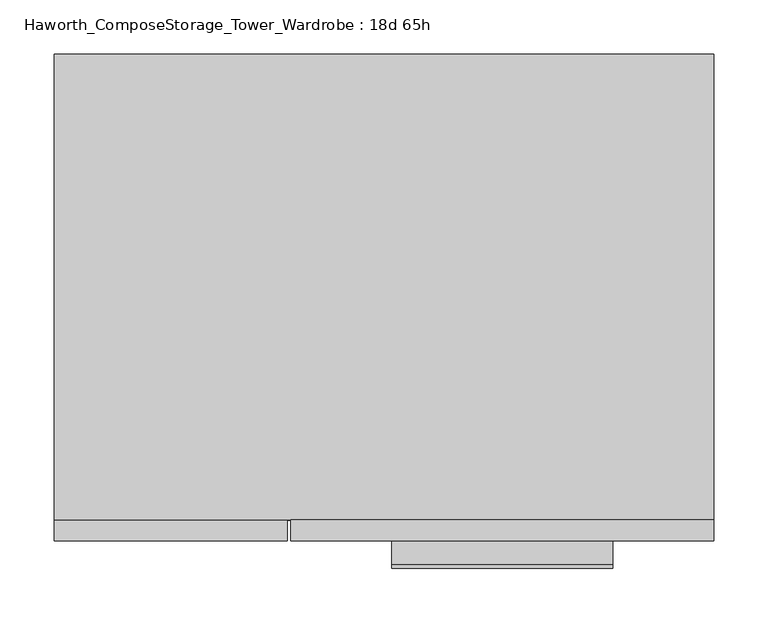
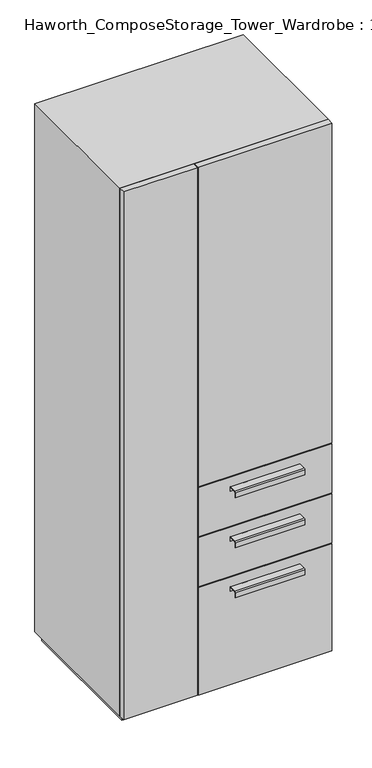
"""IFC4 building model written with IfcOpenShell, lengths in millimetres: furniture geometry, Haworth_ComposeStorage_Tower_Wardrobe : 18d 65h."""

from ifc_helpers import new_model, si_unit, point, frame, frame_2d, origin, origin_with_axes, place, context, project, spatial, polyline, circle_curve, trimmed, segment, composite_curve, outline, extrude, faceted_brep, source, transform, mapped, element, save


def haworth_composestorage_tower_wardrobe_18d_65h_49c8bd35(model_context):
    return source(origin(), model_context, "Body", "SolidModel", [
        extrude(outline(composite_curve([segment(polyline([(-255.5875242, 633.9919215), (-233.3625, 633.9919215), (-233.3625, 620.5299525), (-234.1562742, 620.5299525), (-234.1562742, 633.1982199), (-255.5875242, 633.1982199)]), True, "CONTINUOUS"), segment(trimmed(circle_curve(frame_2d((-255.5875242, 630.8142808)), 2.3839392), [point((-255.5875242, 633.1982199))], [point((-257.9714634, 630.8142808))], True, "CARTESIAN"), True, "CONTINUOUS"), segment(polyline([(-257.9714634, 630.8142808), (-257.9714634, 616.2119021), (-258.7624758, 616.2119021), (-258.7624758, 630.8169699)]), True, "CONTINUOUS"), segment(trimmed(circle_curve(frame_2d((-255.5875242, 630.8169699)), 3.1749516), [point((-258.7624758, 630.8169699))], [point((-255.5875242, 633.9919215))], False, "CARTESIAN"), True, "CONTINUOUS")], self_intersect=False)), frame((7.1576406, 0.0, 0.0), z_axis=(1.0, 0.0, 0.0), x_axis=(0.0, 1.0, 0.0)), (0.0, 0.0, 1.0), 203.2),
        extrude(outline(polyline([(303.2263906, -214.3125), (303.2263906, -233.3625), (-85.7111094, -233.3625), (-85.7111094, -214.3125), (303.2263906, -214.3125)])), frame((0.0, 0.0, 512.7625), z_axis=(0.0, 0.0, 1.0), x_axis=(1.0, 0.0, 0.0)), (0.0, 0.0, 1.0), 150.8125),
        extrude(outline(composite_curve([segment(polyline([(-255.5875242, 480.0044215), (-233.3625, 480.0044215), (-233.3625, 466.5424525), (-234.1562742, 466.5424525), (-234.1562742, 479.2107199), (-255.5875242, 479.2107199)]), True, "CONTINUOUS"), segment(trimmed(circle_curve(frame_2d((-255.5875242, 476.8267808)), 2.3839392), [point((-255.5875242, 479.2107199))], [point((-257.9714634, 476.8267808))], True, "CARTESIAN"), True, "CONTINUOUS"), segment(polyline([(-257.9714634, 476.8267808), (-257.9714634, 462.2244021), (-258.7624758, 462.2244021), (-258.7624758, 476.8294699)]), True, "CONTINUOUS"), segment(trimmed(circle_curve(frame_2d((-255.5875242, 476.8294699)), 3.1749516), [point((-258.7624758, 476.8294699))], [point((-255.5875242, 480.0044215))], False, "CARTESIAN"), True, "CONTINUOUS")], self_intersect=False)), frame((7.1576406, 0.0, 0.0), z_axis=(1.0, 0.0, 0.0), x_axis=(0.0, 1.0, 0.0)), (0.0, 0.0, 1.0), 203.2),
        extrude(outline(polyline([(303.2263906, -214.3125), (303.2263906, -233.3625), (-85.7111094, -233.3625), (-85.7111094, -214.3125), (303.2263906, -214.3125)])), frame((0.0, 0.0, 358.775), z_axis=(0.0, 0.0, 1.0), x_axis=(1.0, 0.0, 0.0)), (0.0, 0.0, 1.0), 150.8125),
        extrude(outline(composite_curve([segment(polyline([(-255.5875242, 326.0169215), (-233.3625, 326.0169215), (-233.3625, 312.5549525), (-234.1562742, 312.5549525), (-234.1562742, 325.2232199), (-255.5875242, 325.2232199)]), True, "CONTINUOUS"), segment(trimmed(circle_curve(frame_2d((-255.5875242, 322.8392808)), 2.3839392), [point((-255.5875242, 325.2232199))], [point((-257.9714634, 322.8392808))], True, "CARTESIAN"), True, "CONTINUOUS"), segment(polyline([(-257.9714634, 322.8392808), (-257.9714634, 308.2369021), (-258.7624758, 308.2369021), (-258.7624758, 322.8419699)]), True, "CONTINUOUS"), segment(trimmed(circle_curve(frame_2d((-255.5875242, 322.8419699)), 3.1749516), [point((-258.7624758, 322.8419699))], [point((-255.5875242, 326.0169215))], False, "CARTESIAN"), True, "CONTINUOUS")], self_intersect=False)), frame((7.1576406, 0.0, 0.0), z_axis=(1.0, 0.0, 0.0), x_axis=(0.0, 1.0, 0.0)), (0.0, 0.0, 1.0), 203.2),
        extrude(outline(polyline([(303.2263906, -214.3125), (303.2263906, -233.3625), (-85.7111094, -233.3625), (-85.7111094, -214.3125), (303.2263906, -214.3125)])), frame((0.0, 0.0, 25.4), z_axis=(0.0, 0.0, 1.0), x_axis=(1.0, 0.0, 0.0)), (0.0, 0.0, 1.0), 330.2),
        extrude(outline(polyline([(303.2263906, -214.3125), (303.2263906, -233.3625), (-85.7111094, -233.3625), (-85.7111094, -214.3125), (303.2263906, -214.3125)])), frame((0.0, 0.0, 666.75), z_axis=(0.0, 0.0, 1.0), x_axis=(1.0, 0.0, 0.0)), (0.0, 0.0, 1.0), 984.25),
        faceted_brep([(-303.1986094, -214.3125, 25.4), (303.2263906, -214.3125, 25.4), (303.2263906, -214.3125, 1651.0), (-303.1986094, -214.3125, 1651.0), (-284.1486094, -214.3125, 44.45), (-284.1486094, -214.3125, 1631.95), (284.1694453, -214.3125, 1631.95), (284.1694453, -214.3125, 44.45), (-303.1986094, 214.3125, 25.4), (-303.1986094, 214.3125, 1651.0), (303.2263906, 214.3125, 1651.0), (303.2263906, 214.3125, 25.4), (-284.1486094, 195.2625, 44.45), (-284.1486094, 195.2625, 1631.95), (284.1694453, 195.2625, 1631.95), (284.1694453, 195.2625, 44.45)], [[[0, 1, 2, 3], [4, 5, 6, 7]], [[8, 9, 10, 11]], [[1, 0, 8, 11]], [[2, 1, 11, 10]], [[3, 2, 10, 9]], [[0, 3, 9, 8]], [[5, 4, 12, 13]], [[6, 5, 13, 14]], [[7, 6, 14, 15]], [[4, 7, 15, 12]], [[13, 12, 15, 14]]]),
        extrude(outline(polyline([(290.5263906, -201.6125), (-290.4986094, -201.6125), (-290.4986094, 201.6125), (290.5263906, 201.6125), (290.5263906, -201.6125)])), origin_with_axes(), (0.0, 0.0, 1.0), 25.4),
        extrude(outline(polyline([(-303.1986094, -233.3625), (-303.1986094, -214.3125), (-88.8861094, -214.3125), (-88.8861094, -233.3625), (-303.1986094, -233.3625)])), frame((0.0, 0.0, 25.4), z_axis=(0.0, 0.0, 1.0), x_axis=(1.0, 0.0, 0.0)), (0.0, 0.0, 1.0), 1625.6),
    ])


if __name__ == "__main__":
    model = new_model("IFC4")
    model_context = context("Model", 3, world=origin())
    ifc_project = project(units=[si_unit("LENGTHUNIT", "METRE", prefix="MILLI")], contexts=[model_context])
    site = spatial("IfcSite", under=ifc_project)
    building = spatial("IfcBuilding", under=site)
    placement = place(None, origin())
    haworth_composestorage_tower_wardrobe_18d_65h_shape = haworth_composestorage_tower_wardrobe_18d_65h_49c8bd35(model_context)
    element("IfcFurniture", 1, ObjectType="Haworth_ComposeStorage_Tower_Wardrobe : 18d 65h", at=placement, inside=building, context=model_context, shape_type="MappedRepresentation", body=[
        mapped(haworth_composestorage_tower_wardrobe_18d_65h_shape, transform((0.0, 0.0, 0.0), x_axis=(1.0, 0.0, 0.0), y_axis=(0.0, 1.0, 0.0), z_axis=(0.0, 0.0, 1.0))),
    ])
    save(model, "model.ifc")
